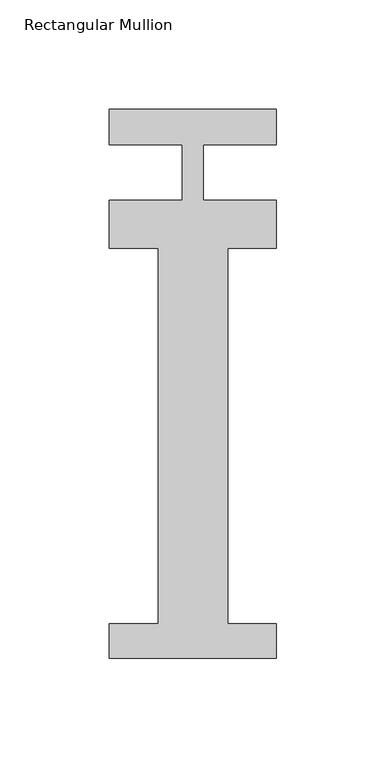
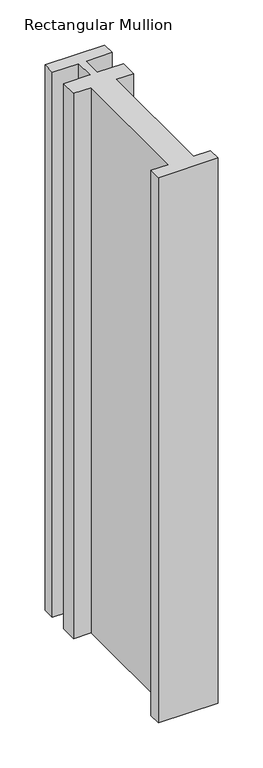
"""IFC4 building model written with IfcOpenShell, lengths in millimetres: member geometry, Rectangular Mullion."""

from ifc_helpers import new_model, si_unit, frame, origin, place, context, project, spatial, polyline, outline, extrude, source, transform, mapped, element, save


def rectangular_mullion_78b9c179(model_context):
    return source(origin(), model_context, "Body", "SweptSolid", [
        extrude(outline(polyline([(38.1, -221.996), (-38.1, -221.996), (-38.1, -206.121), (-15.875, -206.121), (-15.875, -34.671), (-38.1, -34.671), (-38.1, -12.7), (-4.7625, -12.7), (-4.7625, 12.7), (-38.1, 12.7), (-38.1, 28.830618), (38.1, 28.830618), (38.1, 12.7), (4.7625, 12.7), (4.7625, -12.7), (38.1, -12.7), (38.1, -34.671), (15.875, -34.671), (15.875, -206.121), (38.1, -206.121), (38.1, -221.996)])), frame((0.0, 0.0, -736.6), z_axis=(0.0, 0.0, 1.0), x_axis=(1.0, 0.0, 0.0)), (0.0, 0.0, 1.0), 736.6),
    ])


if __name__ == "__main__":
    model = new_model("IFC4")
    model_context = context("Model", 3, world=origin())
    ifc_project = project(units=[si_unit("LENGTHUNIT", "METRE", prefix="MILLI")], contexts=[model_context])
    site = spatial("IfcSite", under=ifc_project)
    building = spatial("IfcBuilding", under=site)
    placement = place(None, origin())
    rectangular_mullion_shape = rectangular_mullion_78b9c179(model_context)
    element("IfcMember", 1, ObjectType="Rectangular Mullion", at=placement, inside=building, context=model_context, shape_type="MappedRepresentation", body=[
        mapped(rectangular_mullion_shape, transform((0.0, 0.0, 0.0), x_axis=(1.0, 0.0, 0.0), y_axis=(0.0, 1.0, 0.0), z_axis=(0.0, 0.0, 1.0))),
    ])
    save(model, "model.ifc")
